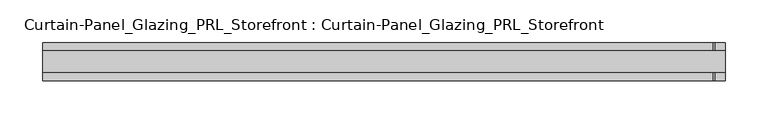
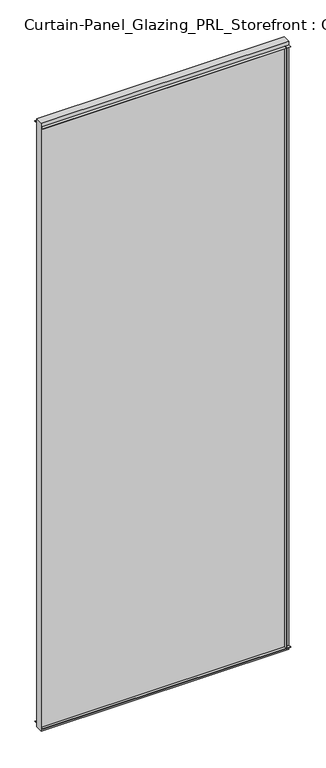
"""IFC4 building model written with IfcOpenShell, lengths in millimetres: plate geometry, Curtain-Panel_Glazing_PRL_Storefront : Curtain-Panel_Glazing_PRL_Storefront."""

from ifc_helpers import new_model, si_unit, frame, origin, origin_with_axes, place, context, project, spatial, polyline, outline, extrude, source, transform, mapped, element, save


def curtain_panel_glazing_prl_storefront_curtain_panel_glazing_4913f955(model_context):
    return source(origin(), model_context, "Body", "SweptSolid", [
        extrude(outline(polyline([(387.35, 22.225), (387.35, 12.7), (385.7625, 12.7), (385.7625, 22.225), (387.35, 22.225)])), frame((0.0, 0.0, 12.7), z_axis=(0.0, 0.0, 1.0), x_axis=(1.0, 0.0, 0.0)), (0.0, 0.0, 1.0), 2051.05),
        extrude(outline(polyline([(387.35, -22.225), (385.7625, -22.225), (385.7625, -12.7), (387.35, -12.7), (387.35, -22.225)])), frame((0.0, 0.0, 12.7), z_axis=(0.0, 0.0, 1.0), x_axis=(1.0, 0.0, 0.0)), (0.0, 0.0, 1.0), 2051.05),
        extrude(outline(polyline([(400.05, -12.7), (-400.05, -12.7), (-400.05, 12.7), (400.05, 12.7), (400.05, -12.7)])), origin_with_axes(), (0.0, 0.0, 1.0), 2076.45),
        extrude(outline(polyline([(-400.05, 22.225), (400.05, 22.225), (400.05, 12.7), (-400.05, 12.7), (-400.05, 22.225)])), frame((0.0, 0.0, 2062.1625), z_axis=(0.0, 0.0, 1.0), x_axis=(1.0, 0.0, 0.0)), (0.0, 0.0, 1.0), 1.5875),
        extrude(outline(polyline([(-400.05, -22.225), (-400.05, -12.7), (400.05, -12.7), (400.05, -22.225), (-400.05, -22.225)])), frame((0.0, 0.0, 2062.1625), z_axis=(0.0, 0.0, 1.0), x_axis=(1.0, 0.0, 0.0)), (0.0, 0.0, 1.0), 1.5875),
        extrude(outline(polyline([(-400.05, 22.225), (400.05, 22.225), (400.05, 12.7), (-400.05, 12.7), (-400.05, 22.225)])), frame((0.0, 0.0, 12.7), z_axis=(0.0, 0.0, 1.0), x_axis=(1.0, 0.0, 0.0)), (0.0, 0.0, 1.0), 1.5875),
        extrude(outline(polyline([(-400.05, -22.225), (-400.05, -12.7), (400.05, -12.7), (400.05, -22.225), (-400.05, -22.225)])), frame((0.0, 0.0, 12.7), z_axis=(0.0, 0.0, 1.0), x_axis=(1.0, 0.0, 0.0)), (0.0, 0.0, 1.0), 1.5875),
    ])


if __name__ == "__main__":
    model = new_model("IFC4")
    model_context = context("Model", 3, world=origin())
    ifc_project = project(units=[si_unit("LENGTHUNIT", "METRE", prefix="MILLI")], contexts=[model_context])
    site = spatial("IfcSite", under=ifc_project)
    building = spatial("IfcBuilding", under=site)
    placement = place(None, origin())
    curtain_panel_glazing_prl_storefront_curtain_panel_glazing_shape = curtain_panel_glazing_prl_storefront_curtain_panel_glazing_4913f955(model_context)
    element("IfcPlate", 1, ObjectType="Curtain-Panel_Glazing_PRL_Storefront : Curtain-Panel_Glazing_PRL_Storefront", at=placement, inside=building, context=model_context, shape_type="MappedRepresentation", body=[
        mapped(curtain_panel_glazing_prl_storefront_curtain_panel_glazing_shape, transform((0.0, 0.0, 0.0), x_axis=(1.0, 0.0, 0.0), y_axis=(0.0, 1.0, 0.0), z_axis=(0.0, 0.0, 1.0))),
    ])
    save(model, "model.ifc")
